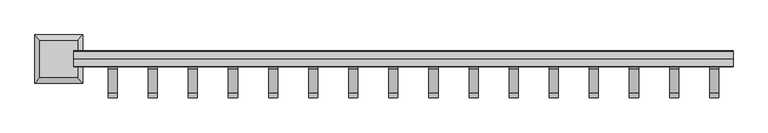
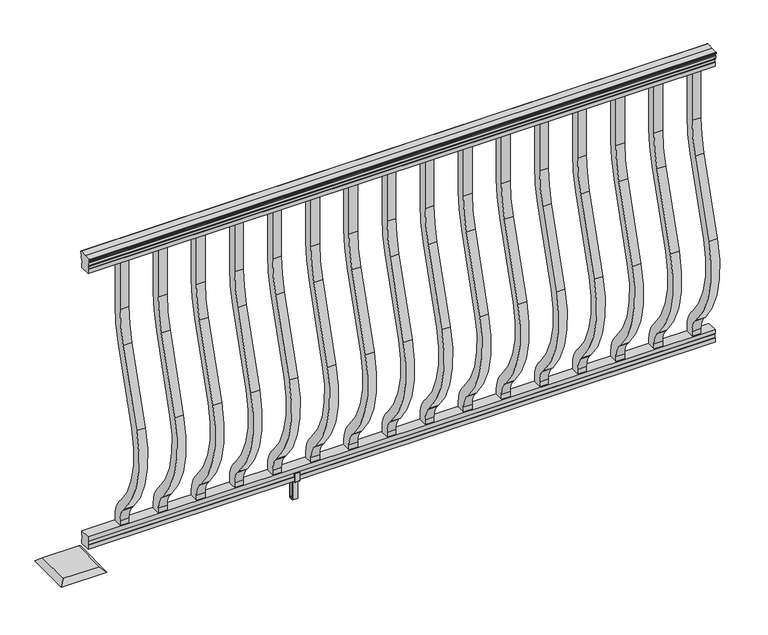
"""IFC4 building model written with IfcOpenShell, lengths in millimetres: railing geometry."""

from ifc_helpers import new_model, si_unit, point, frame, frame_2d, origin, place, context, project, spatial, polyline, circle_curve, trimmed, segment, composite_curve, outline, extrude, faceted_brep, source, transform, mapped, element, save
from ifc_brep_helpers import plane_surface, cylinder_surface, revolved_surface, advanced_brep


def railing_8e5f8d11(model_context):
    return source(origin(), model_context, "Body", "SolidModel", [
        advanced_brep(
        [(18822.3598713, -48070.5992427, 938.4043297), (18822.3598713, -48068.025414, 938.4043297), (18822.3598713, -48068.025414, 927.747013), (18822.3598713, -48069.041414, 926.731013), (18822.3598713, -48069.041414, 914.4), (18822.3598713, -48037.291414, 914.4), (18822.3598713, -48037.291414, 926.8888283), (18822.3598713, -48038.307414, 927.9048283), (18822.3598713, -48038.307414, 938.4043297), (18822.3598713, -48035.7335853, 938.4043297), (18822.3598713, -48035.7335853, 940.292412), (18822.3598713, -48034.603399, 941.8546695), (18822.3598713, -48034.603399, 949.0726458), (18822.3598713, -48035.2526554, 951.5060812), (18822.3598713, -48032.7526554, 955.8362083), (18822.3598713, -48031.3433129, 957.5157972), (18822.3598713, -48030.9414139, 958.6205318), (18822.3598713, -48030.941414, 959.9608158), (18822.3598713, -48032.4948612, 961.514263), (18822.3598713, -48053.166414, 961.514263), (18822.3598713, -48073.8379668, 961.514263), (18822.3598713, -48075.391414, 959.9608158), (18822.3598713, -48075.391414, 958.6205318), (18822.3598713, -48074.9895151, 957.5157972), (18822.3598713, -48073.5801726, 955.8362083), (18822.3598713, -48071.0801726, 951.5060812), (18822.3598713, -48071.729429, 949.0726458), (18822.3598713, -48071.729429, 941.8546695), (18822.3598713, -48070.5992427, 940.292412), (16993.5598713, -48070.5992427, 938.4043297), (16993.5598713, -48070.5992427, 940.292412), (16993.5598713, -48071.729429, 941.8546695), (16993.5598713, -48071.729429, 949.0726458), (16993.5598713, -48071.0801726, 951.5060812), (16993.5598713, -48073.5801726, 955.8362083), (16993.5598713, -48074.9895151, 957.5157972), (16993.5598713, -48075.3914141, 958.6205318), (16993.5598713, -48075.391414, 959.9608158), (16993.5598713, -48073.8379668, 961.514263), (16993.5598713, -48053.166414, 961.514263), (16993.5598713, -48032.4948612, 961.514263), (16993.5598713, -48030.941414, 959.9608158), (16993.5598713, -48030.941414, 958.6205318), (16993.5598713, -48031.3433129, 957.5157972), (16993.5598713, -48032.7526554, 955.8362083), (16993.5598713, -48035.2526554, 951.5060812), (16993.5598713, -48034.603399, 949.0726458), (16993.5598713, -48034.603399, 941.8546695), (16993.5598713, -48035.7335853, 940.292412), (16993.5598713, -48035.7335853, 938.4043297), (16993.5598713, -48038.307414, 938.4043297), (16993.5598713, -48038.307414, 927.9048283), (16993.5598713, -48037.291414, 926.8888283), (16993.5598713, -48037.291414, 914.4), (16993.5598713, -48069.041414, 914.4), (16993.5598713, -48069.041414, 926.731013), (16993.5598713, -48068.025414, 927.747013), (16993.5598713, -48068.025414, 938.4043297)],
        [
            (0, 1, circle_curve(frame((18822.3598713, -48069.3123284, 938.4043297), z_axis=(1.0, 0.0, 0.0), x_axis=(0.0, 1.0, 0.0)), 1.2869144)),
            (1, 2),
            (2, 3),
            (3, 4),
            (4, 5),
            (5, 6),
            (6, 7),
            (7, 8),
            (8, 9, circle_curve(frame((18822.3598713, -48037.0204996, 938.4043297), z_axis=(1.0, 0.0, 0.0), x_axis=(0.0, -1.0, 0.0)), 1.2869144)),
            (9, 10),
            (10, 11, circle_curve(frame((18822.3598713, -48042.0483386, 946.0506383), z_axis=(1.0, 0.0, 0.0), x_axis=(0.0, -1.0, 0.0)), 8.545951)),
            (11, 12, circle_curve(frame((18822.3598713, -48041.6112756, 945.4636577), z_axis=(1.0, 0.0, 0.0), x_axis=(0.0, -1.0, 0.0)), 7.882584)),
            (12, 13, circle_curve(frame((18822.3598713, -48031.0979515, 951.3112527), z_axis=(-1.0, 0.0, 0.0), x_axis=(0.0, -1.0, 0.0)), 4.1592695)),
            (13, 14, circle_curve(frame((18822.3598713, -48029.8106449, 951.2508864), z_axis=(-1.0, 0.0, 0.0), x_axis=(0.0, -1.0, 0.0)), 5.4479907)),
            (14, 15, circle_curve(frame((18822.3598713, -48031.0438033, 955.833395), z_axis=(-1.0, 0.0, 0.0), x_axis=(0.0, -1.0, 0.0)), 1.7088543)),
            (15, 16, circle_curve(frame((18822.3598713, -48032.6607034, 958.6205318), z_axis=(1.0, 0.0, 0.0), x_axis=(0.0, -1.0, 0.0)), 1.7192895)),
            (16, 17),
            (17, 18, circle_curve(frame((18822.3598713, -48032.4948612, 959.9608158), z_axis=(1.0, 0.0, 0.0), x_axis=(0.0, -1.0, 0.0)), 1.5534472)),
            (18, 19),
            (19, 20),
            (20, 21, circle_curve(frame((18822.3598713, -48073.8379668, 959.9608158), z_axis=(1.0, 0.0, 0.0), x_axis=(0.0, 1.0, 0.0)), 1.5534472)),
            (21, 22),
            (22, 23, circle_curve(frame((18822.3598713, -48073.6721246, 958.6205318), z_axis=(1.0, 0.0, 0.0), x_axis=(0.0, 1.0, 0.0)), 1.7192895)),
            (23, 24, circle_curve(frame((18822.3598713, -48075.2890247, 955.833395), z_axis=(-1.0, 0.0, 0.0), x_axis=(0.0, 1.0, 0.0)), 1.7088543)),
            (24, 25, circle_curve(frame((18822.3598713, -48076.5221831, 951.2508864), z_axis=(-1.0, 0.0, 0.0), x_axis=(0.0, 1.0, 0.0)), 5.4479907)),
            (25, 26, circle_curve(frame((18822.3598713, -48075.2348766, 951.3112527), z_axis=(-1.0, 0.0, 0.0), x_axis=(0.0, 1.0, 0.0)), 4.1592695)),
            (26, 27, circle_curve(frame((18822.3598713, -48064.7215524, 945.4636577), z_axis=(1.0, 0.0, 0.0), x_axis=(0.0, 1.0, 0.0)), 7.882584)),
            (27, 28, circle_curve(frame((18822.3598713, -48064.2844895, 946.0506383), z_axis=(1.0, 0.0, 0.0), x_axis=(0.0, 1.0, 0.0)), 8.545951)),
            (28, 0),
            (29, 30),
            (30, 31, circle_curve(frame((16993.5598713, -48064.2844895, 946.0506383), z_axis=(-1.0, 0.0, 0.0), x_axis=(0.0, 1.0, 0.0)), 8.545951)),
            (31, 32, circle_curve(frame((16993.5598713, -48064.7215524, 945.4636577), z_axis=(-1.0, 0.0, 0.0), x_axis=(0.0, 1.0, 0.0)), 7.882584)),
            (32, 33, circle_curve(frame((16993.5598713, -48075.2348766, 951.3112527), z_axis=(1.0, 0.0, 0.0), x_axis=(0.0, 1.0, 0.0)), 4.1592695)),
            (33, 34, circle_curve(frame((16993.5598713, -48076.5221831, 951.2508864), z_axis=(1.0, 0.0, 0.0), x_axis=(0.0, 1.0, 0.0)), 5.4479907)),
            (34, 35, circle_curve(frame((16993.5598713, -48075.2890247, 955.833395), z_axis=(1.0, 0.0, 0.0), x_axis=(0.0, 1.0, 0.0)), 1.7088543)),
            (35, 36, circle_curve(frame((16993.5598713, -48073.6721246, 958.6205318), z_axis=(-1.0, 0.0, 0.0), x_axis=(0.0, 1.0, 0.0)), 1.7192895)),
            (36, 37),
            (37, 38, circle_curve(frame((16993.5598713, -48073.8379668, 959.9608158), z_axis=(-1.0, 0.0, 0.0), x_axis=(0.0, 1.0, 0.0)), 1.5534472)),
            (38, 39),
            (39, 40),
            (40, 41, circle_curve(frame((16993.5598713, -48032.4948612, 959.9608158), z_axis=(-1.0, 0.0, 0.0), x_axis=(0.0, -1.0, 0.0)), 1.5534472)),
            (41, 42),
            (42, 43, circle_curve(frame((16993.5598713, -48032.6607034, 958.6205318), z_axis=(-1.0, 0.0, 0.0), x_axis=(0.0, -1.0, 0.0)), 1.7192895)),
            (43, 44, circle_curve(frame((16993.5598713, -48031.0438033, 955.833395), z_axis=(1.0, 0.0, 0.0), x_axis=(0.0, -1.0, 0.0)), 1.7088543)),
            (44, 45, circle_curve(frame((16993.5598713, -48029.8106449, 951.2508864), z_axis=(1.0, 0.0, 0.0), x_axis=(0.0, -1.0, 0.0)), 5.4479907)),
            (45, 46, circle_curve(frame((16993.5598713, -48031.0979515, 951.3112527), z_axis=(1.0, 0.0, 0.0), x_axis=(0.0, -1.0, 0.0)), 4.1592695)),
            (46, 47, circle_curve(frame((16993.5598713, -48041.6112756, 945.4636577), z_axis=(-1.0, 0.0, 0.0), x_axis=(0.0, -1.0, 0.0)), 7.882584)),
            (47, 48, circle_curve(frame((16993.5598713, -48042.0483386, 946.0506383), z_axis=(-1.0, 0.0, 0.0), x_axis=(0.0, -1.0, 0.0)), 8.545951)),
            (48, 49),
            (49, 50, circle_curve(frame((16993.5598713, -48037.0204996, 938.4043297), z_axis=(-1.0, 0.0, 0.0), x_axis=(0.0, -1.0, 0.0)), 1.2869144)),
            (50, 51),
            (51, 52),
            (52, 53),
            (53, 54),
            (54, 55),
            (55, 56),
            (56, 57),
            (57, 29, circle_curve(frame((16993.5598713, -48069.3123284, 938.4043297), z_axis=(-1.0, 0.0, 0.0), x_axis=(0.0, 1.0, 0.0)), 1.2869144)),
            (0, 29),
            (57, 1),
            (56, 2),
            (55, 3),
            (54, 4),
            (53, 5),
            (52, 6),
            (51, 7),
            (50, 8),
            (49, 9),
            (48, 10),
            (47, 11),
            (46, 12),
            (45, 13),
            (44, 14),
            (43, 15),
            (42, 16),
            (41, 17),
            (40, 18),
            (39, 19),
            (38, 20),
            (37, 21),
            (36, 22),
            (35, 23),
            (34, 24),
            (33, 25),
            (32, 26),
            (31, 27),
            (30, 28),
        ],
        [
            plane_surface(frame((18822.3598713, -48053.166414, 914.4), z_axis=(1.0, 0.0, 0.0), x_axis=(0.0, -1.0, 0.0))),
            plane_surface(frame((16993.5598713, -48053.166414, 914.4), z_axis=(-1.0, 0.0, 0.0), x_axis=(0.0, -1.0, 0.0))),
            cylinder_surface(frame((18822.3598713, -48069.3123284, 938.4043297), z_axis=(1.0, 0.0, 0.0), x_axis=(0.0, 1.0, 0.0)), 1.2869144),
            plane_surface(frame((18822.3598713, -48068.025414, 938.4043297), z_axis=(0.0, -1.0, 0.0), x_axis=(-1.0, 0.0, 0.0))),
            plane_surface(frame((18822.3598713, -48068.025414, 927.747013), z_axis=(0.0, -0.7071067811865395, 0.7071067811865556), x_axis=(-1.0, 0.0, 0.0))),
            plane_surface(frame((18822.3598713, -48069.041414, 926.731013), z_axis=(0.0, -1.0, 0.0), x_axis=(-1.0, 0.0, 0.0))),
            plane_surface(frame((18822.3598713, -48069.041414, 914.4), z_axis=(0.0, 0.0, -1.0), x_axis=(-1.0, 0.0, 0.0))),
            plane_surface(frame((18822.3598713, -48037.291414, 914.4), z_axis=(0.0, 1.0, 0.0), x_axis=(-1.0, 0.0, 0.0))),
            plane_surface(frame((18822.3598713, -48037.291414, 926.8888283), z_axis=(0.0, 0.7071067811865432, 0.707106781186552), x_axis=(-1.0, 0.0, 0.0))),
            plane_surface(frame((18822.3598713, -48038.307414, 927.9048283), z_axis=(0.0, 1.0, 0.0), x_axis=(-1.0, 0.0, 0.0))),
            cylinder_surface(frame((18822.3598713, -48037.0204996, 938.4043297), z_axis=(1.0, 0.0, 0.0), x_axis=(0.0, -1.0, 0.0)), 1.2869144),
            plane_surface(frame((18822.3598713, -48035.7335853, 938.4043297), z_axis=(0.0, 1.0, 0.0), x_axis=(-1.0, 0.0, 0.0))),
            cylinder_surface(frame((18822.3598713, -48042.0483386, 946.0506383), z_axis=(1.0, 0.0, 0.0), x_axis=(0.0, -1.0, 0.0)), 8.545951),
            cylinder_surface(frame((18822.3598713, -48041.6112756, 945.4636577), z_axis=(1.0, 0.0, 0.0), x_axis=(0.0, -1.0, 0.0)), 7.882584),
            revolved_surface(polyline([(16993.5598713, -48035.257221, 951.3112527), (18822.3598713, -48035.257221, 951.3112527)]), (18822.3598713, -48031.0979515, 951.3112527), (-1.0, 0.0, 0.0)),
            revolved_surface(polyline([(16993.5598713, -48035.258635599996, 951.2508864), (18822.3598713, -48035.258635599996, 951.2508864)]), (18822.3598713, -48029.8106449, 951.2508864), (-1.0, 0.0, 0.0)),
            revolved_surface(polyline([(16993.5598713, -48032.7526576, 955.833395), (18822.3598713, -48032.7526576, 955.833395)]), (18822.3598713, -48031.0438033, 955.833395), (-1.0, 0.0, 0.0)),
            cylinder_surface(frame((18822.3598713, -48032.6607034, 958.6205318), z_axis=(1.0, 0.0, 0.0), x_axis=(0.0, -1.0, 0.0)), 1.7192895),
            plane_surface(frame((18822.3598713, -48030.941414, 958.6205318), z_axis=(0.0, 1.0, 0.0), x_axis=(-1.0, 0.0, 0.0))),
            cylinder_surface(frame((18822.3598713, -48032.4948612, 959.9608158), z_axis=(1.0, 0.0, 0.0), x_axis=(0.0, -1.0, 0.0)), 1.5534472),
            plane_surface(frame((18822.3598713, -48032.4948612, 961.514263), z_axis=(0.0, 0.0, 1.0), x_axis=(-1.0, 0.0, 0.0))),
            plane_surface(frame((18822.3598713, -48053.166414, 961.514263), z_axis=(0.0, 0.0, 1.0), x_axis=(-1.0, 0.0, 0.0))),
            cylinder_surface(frame((18822.3598713, -48073.8379668, 959.9608158), z_axis=(1.0, 0.0, 0.0), x_axis=(0.0, 1.0, 0.0)), 1.5534472),
            plane_surface(frame((18822.3598713, -48075.391414, 959.9608158), z_axis=(0.0, -1.0, 0.0), x_axis=(-1.0, 0.0, 0.0))),
            cylinder_surface(frame((18822.3598713, -48073.6721246, 958.6205318), z_axis=(1.0, 0.0, 0.0), x_axis=(0.0, 1.0, 0.0)), 1.7192895),
            revolved_surface(polyline([(16993.5598713, -48073.580170400004, 955.833395), (18822.3598713, -48073.580170400004, 955.833395)]), (18822.3598713, -48075.2890247, 955.833395), (-1.0, 0.0, 0.0)),
            revolved_surface(polyline([(16993.5598713, -48071.0741924, 951.2508864), (18822.3598713, -48071.0741924, 951.2508864)]), (18822.3598713, -48076.5221831, 951.2508864), (-1.0, 0.0, 0.0)),
            revolved_surface(polyline([(16993.5598713, -48071.0756071, 951.3112527), (18822.3598713, -48071.0756071, 951.3112527)]), (18822.3598713, -48075.2348766, 951.3112527), (-1.0, 0.0, 0.0)),
            cylinder_surface(frame((18822.3598713, -48064.7215524, 945.4636577), z_axis=(1.0, 0.0, 0.0), x_axis=(0.0, 1.0, 0.0)), 7.882584),
            cylinder_surface(frame((18822.3598713, -48064.2844895, 946.0506383), z_axis=(1.0, 0.0, 0.0), x_axis=(0.0, 1.0, 0.0)), 8.545951),
            plane_surface(frame((18822.3598713, -48070.5992427, 940.292412), z_axis=(0.0, -1.0, 0.0), x_axis=(-1.0, 0.0, 0.0))),
        ],
        [
            (0, [[1, 2, 3, 4, 5, 6, 7, 8, 9, 10, 11, 12, 13, 14, 15, 16, 17, 18, 19, 20, 21, 22, 23, 24, 25, 26, 27, 28, 29]]),
            (1, [[30, 31, 32, 33, 34, 35, 36, 37, 38, 39, 40, 41, 42, 43, 44, 45, 46, 47, 48, 49, 50, 51, 52, 53, 54, 55, 56, 57, 58]]),
            (2, [[-1, 59, -58, 60]]),
            (3, [[-2, -60, -57, 61]]),
            (4, [[-3, -61, -56, 62]]),
            (5, [[-4, -62, -55, 63]]),
            (6, [[-5, -63, -54, 64]]),
            (7, [[-6, -64, -53, 65]]),
            (8, [[-7, -65, -52, 66]]),
            (9, [[-8, -66, -51, 67]]),
            (10, [[-9, -67, -50, 68]]),
            (11, [[-10, -68, -49, 69]]),
            (12, [[-11, -69, -48, 70]]),
            (13, [[-12, -70, -47, 71]]),
            (14, [[-13, -71, -46, 72]]),
            (15, [[-14, -72, -45, 73]]),
            (16, [[-15, -73, -44, 74]]),
            (17, [[-16, -74, -43, 75]]),
            (18, [[-17, -75, -42, 76]]),
            (19, [[-18, -76, -41, 77]]),
            (20, [[-19, -77, -40, 78]]),
            (21, [[-20, -78, -39, 79]]),
            (22, [[-21, -79, -38, 80]]),
            (23, [[-22, -80, -37, 81]]),
            (24, [[-23, -81, -36, 82]]),
            (25, [[-24, -82, -35, 83]]),
            (26, [[-25, -83, -34, 84]]),
            (27, [[-26, -84, -33, 85]]),
            (28, [[-27, -85, -32, 86]]),
            (29, [[-28, -86, -31, 87]]),
            (30, [[-29, -87, -30, -59]]),
        ],
    ),
        faceted_brep([(18822.3598713, -48069.0789009, 76.0541976), (18822.3598713, -48069.0789009, 63.5), (18822.3598713, -48037.3289009, 63.5), (18822.3598713, -48037.3289009, 76.0375508), (18822.3598713, -48038.3449009, 77.3858283), (18822.3598713, -48038.3449009, 87.6975248), (18822.3598713, -48037.3289009, 89.0458024), (18822.3598713, -48037.3289009, 101.5958781), (18822.3598713, -48069.0789009, 101.5958781), (18822.3598713, -48069.0789009, 89.0624492), (18822.3598713, -48068.0629009, 87.7141717), (18822.3598713, -48068.0629009, 77.3546183), (16993.5598713, -48069.0789009, 76.0541976), (16993.5598713, -48068.0629009, 77.3546183), (16993.5598713, -48068.0629009, 87.7141717), (16993.5598713, -48069.0789009, 89.0624492), (16993.5598713, -48069.0789009, 101.5958781), (16993.5598713, -48037.3289009, 101.5958781), (16993.5598713, -48037.3289009, 89.0458024), (16993.5598713, -48038.3449009, 87.6975248), (16993.5598713, -48038.3449009, 77.3858283), (16993.5598713, -48037.3289009, 76.0375508), (16993.5598713, -48037.3289009, 63.5), (16993.5598713, -48069.0789009, 63.5)], [[[0, 1, 2, 3, 4, 5, 6, 7, 8, 9, 10, 11]], [[12, 13, 14, 15, 16, 17, 18, 19, 20, 21, 22, 23]], [[1, 0, 12, 23]], [[2, 1, 23, 22]], [[3, 2, 22, 21]], [[4, 3, 21, 20]], [[5, 4, 20, 19]], [[6, 5, 19, 18]], [[7, 6, 18, 17]], [[8, 7, 17, 16]], [[9, 8, 16, 15]], [[10, 9, 15, 14]], [[11, 10, 14, 13]], [[0, 11, 13, 12]]]),
        extrude(outline(composite_curve([segment(trimmed(circle_curve(frame_2d((-48413.166414, 768.63216)), 372.7), [point((-48040.466414, 768.63216))], [point((-48056.7516315, 659.6652257))], False, "CARTESIAN"), True, "CONTINUOUS"), segment(polyline([(-48056.7516315, 659.6652257), (-48124.5789093, 437.8121964)]), True, "CONTINUOUS"), segment(trimmed(circle_curve(frame_2d((-47868.958648, 359.6612397)), 267.3), [point((-48124.5789093, 437.8121964))], [point((-48068.2736709, 181.5522516))], True, "CARTESIAN"), True, "CONTINUOUS"), segment(polyline([(-48068.2736709, 181.5522516), (-48062.7719976, 175.3955374)]), True, "CONTINUOUS"), segment(trimmed(circle_curve(frame_2d((-48128.166414, 116.9587313)), 87.7), [point((-48062.7719976, 175.3955374))], [point((-48040.466414, 116.9587313))], False, "CARTESIAN"), True, "CONTINUOUS"), segment(polyline([(-48040.466414, 116.9587313), (-48040.466414, 101.5958781), (-48065.866414, 101.5958781), (-48065.866414, 116.9587313)]), True, "CONTINUOUS"), segment(trimmed(circle_curve(frame_2d((-48128.166414, 116.9587313)), 62.3), [point((-48065.866414, 116.9587313))], [point((-48081.7117716, 158.4708524))], True, "CARTESIAN"), True, "CONTINUOUS"), segment(polyline([(-48081.7117716, 158.4708524), (-48087.2134448, 164.6275666)]), True, "CONTINUOUS"), segment(trimmed(circle_curve(frame_2d((-47868.958648, 359.6612397)), 292.7), [point((-48087.2134448, 164.6275666))], [point((-48148.8690501, 445.2384377))], False, "CARTESIAN"), True, "CONTINUOUS"), segment(polyline([(-48148.8690501, 445.2384377), (-48081.0417723, 667.091467)]), True, "CONTINUOUS"), segment(trimmed(circle_curve(frame_2d((-48413.166414, 768.63216)), 347.3), [point((-48081.0417723, 667.091467))], [point((-48065.866414, 768.63216))], True, "CARTESIAN"), True, "CONTINUOUS"), segment(polyline([(-48065.866414, 768.63216), (-48065.866414, 914.4), (-48040.466414, 914.4), (-48040.466414, 768.63216)]), True, "CONTINUOUS")], self_intersect=False)), frame((17088.5558713, 0.0, 0.0), z_axis=(1.0, 0.0, 0.0), x_axis=(0.0, 1.0, 0.0)), (0.0, 0.0, 1.0), 25.4),
        extrude(outline(composite_curve([segment(trimmed(circle_curve(frame_2d((-48413.166414, 768.63216)), 372.7), [point((-48040.466414, 768.63216))], [point((-48056.7516315, 659.6652257))], False, "CARTESIAN"), True, "CONTINUOUS"), segment(polyline([(-48056.7516315, 659.6652257), (-48124.5789093, 437.8121964)]), True, "CONTINUOUS"), segment(trimmed(circle_curve(frame_2d((-47868.958648, 359.6612397)), 267.3), [point((-48124.5789093, 437.8121964))], [point((-48068.2736709, 181.5522516))], True, "CARTESIAN"), True, "CONTINUOUS"), segment(polyline([(-48068.2736709, 181.5522516), (-48062.7719976, 175.3955374)]), True, "CONTINUOUS"), segment(trimmed(circle_curve(frame_2d((-48128.166414, 116.9587313)), 87.7), [point((-48062.7719976, 175.3955374))], [point((-48040.466414, 116.9587313))], False, "CARTESIAN"), True, "CONTINUOUS"), segment(polyline([(-48040.466414, 116.9587313), (-48040.466414, 101.5958781), (-48065.866414, 101.5958781), (-48065.866414, 116.9587313)]), True, "CONTINUOUS"), segment(trimmed(circle_curve(frame_2d((-48128.166414, 116.9587313)), 62.3), [point((-48065.866414, 116.9587313))], [point((-48081.7117716, 158.4708524))], True, "CARTESIAN"), True, "CONTINUOUS"), segment(polyline([(-48081.7117716, 158.4708524), (-48087.2134448, 164.6275666)]), True, "CONTINUOUS"), segment(trimmed(circle_curve(frame_2d((-47868.958648, 359.6612397)), 292.7), [point((-48087.2134448, 164.6275666))], [point((-48148.8690501, 445.2384377))], False, "CARTESIAN"), True, "CONTINUOUS"), segment(polyline([(-48148.8690501, 445.2384377), (-48081.0417723, 667.091467)]), True, "CONTINUOUS"), segment(trimmed(circle_curve(frame_2d((-48413.166414, 768.63216)), 347.3), [point((-48081.0417723, 667.091467))], [point((-48065.866414, 768.63216))], True, "CARTESIAN"), True, "CONTINUOUS"), segment(polyline([(-48065.866414, 768.63216), (-48065.866414, 914.4), (-48040.466414, 914.4), (-48040.466414, 768.63216)]), True, "CONTINUOUS")], self_intersect=False)), frame((17199.8078713, 0.0, 0.0), z_axis=(1.0, 0.0, 0.0), x_axis=(0.0, 1.0, 0.0)), (0.0, 0.0, 1.0), 25.4),
        extrude(outline(composite_curve([segment(trimmed(circle_curve(frame_2d((-48413.166414, 768.63216)), 372.7), [point((-48040.466414, 768.63216))], [point((-48056.7516315, 659.6652257))], False, "CARTESIAN"), True, "CONTINUOUS"), segment(polyline([(-48056.7516315, 659.6652257), (-48124.5789093, 437.8121964)]), True, "CONTINUOUS"), segment(trimmed(circle_curve(frame_2d((-47868.958648, 359.6612397)), 267.3), [point((-48124.5789093, 437.8121964))], [point((-48068.2736709, 181.5522516))], True, "CARTESIAN"), True, "CONTINUOUS"), segment(polyline([(-48068.2736709, 181.5522516), (-48062.7719976, 175.3955374)]), True, "CONTINUOUS"), segment(trimmed(circle_curve(frame_2d((-48128.166414, 116.9587313)), 87.7), [point((-48062.7719976, 175.3955374))], [point((-48040.466414, 116.9587313))], False, "CARTESIAN"), True, "CONTINUOUS"), segment(polyline([(-48040.466414, 116.9587313), (-48040.466414, 101.5958781), (-48065.866414, 101.5958781), (-48065.866414, 116.9587313)]), True, "CONTINUOUS"), segment(trimmed(circle_curve(frame_2d((-48128.166414, 116.9587313)), 62.3), [point((-48065.866414, 116.9587313))], [point((-48081.7117716, 158.4708524))], True, "CARTESIAN"), True, "CONTINUOUS"), segment(polyline([(-48081.7117716, 158.4708524), (-48087.2134448, 164.6275666)]), True, "CONTINUOUS"), segment(trimmed(circle_curve(frame_2d((-47868.958648, 359.6612397)), 292.7), [point((-48087.2134448, 164.6275666))], [point((-48148.8690501, 445.2384377))], False, "CARTESIAN"), True, "CONTINUOUS"), segment(polyline([(-48148.8690501, 445.2384377), (-48081.0417723, 667.091467)]), True, "CONTINUOUS"), segment(trimmed(circle_curve(frame_2d((-48413.166414, 768.63216)), 347.3), [point((-48081.0417723, 667.091467))], [point((-48065.866414, 768.63216))], True, "CARTESIAN"), True, "CONTINUOUS"), segment(polyline([(-48065.866414, 768.63216), (-48065.866414, 914.4), (-48040.466414, 914.4), (-48040.466414, 768.63216)]), True, "CONTINUOUS")], self_intersect=False)), frame((17311.0598713, 0.0, 0.0), z_axis=(1.0, 0.0, 0.0), x_axis=(0.0, 1.0, 0.0)), (0.0, 0.0, 1.0), 25.4),
        extrude(outline(composite_curve([segment(trimmed(circle_curve(frame_2d((-48413.166414, 768.63216)), 372.7), [point((-48040.466414, 768.63216))], [point((-48056.7516315, 659.6652257))], False, "CARTESIAN"), True, "CONTINUOUS"), segment(polyline([(-48056.7516315, 659.6652257), (-48124.5789093, 437.8121964)]), True, "CONTINUOUS"), segment(trimmed(circle_curve(frame_2d((-47868.958648, 359.6612397)), 267.3), [point((-48124.5789093, 437.8121964))], [point((-48068.2736709, 181.5522516))], True, "CARTESIAN"), True, "CONTINUOUS"), segment(polyline([(-48068.2736709, 181.5522516), (-48062.7719976, 175.3955374)]), True, "CONTINUOUS"), segment(trimmed(circle_curve(frame_2d((-48128.166414, 116.9587313)), 87.7), [point((-48062.7719976, 175.3955374))], [point((-48040.466414, 116.9587313))], False, "CARTESIAN"), True, "CONTINUOUS"), segment(polyline([(-48040.466414, 116.9587313), (-48040.466414, 101.5958781), (-48065.866414, 101.5958781), (-48065.866414, 116.9587313)]), True, "CONTINUOUS"), segment(trimmed(circle_curve(frame_2d((-48128.166414, 116.9587313)), 62.3), [point((-48065.866414, 116.9587313))], [point((-48081.7117716, 158.4708524))], True, "CARTESIAN"), True, "CONTINUOUS"), segment(polyline([(-48081.7117716, 158.4708524), (-48087.2134448, 164.6275666)]), True, "CONTINUOUS"), segment(trimmed(circle_curve(frame_2d((-47868.958648, 359.6612397)), 292.7), [point((-48087.2134448, 164.6275666))], [point((-48148.8690501, 445.2384377))], False, "CARTESIAN"), True, "CONTINUOUS"), segment(polyline([(-48148.8690501, 445.2384377), (-48081.0417723, 667.091467)]), True, "CONTINUOUS"), segment(trimmed(circle_curve(frame_2d((-48413.166414, 768.63216)), 347.3), [point((-48081.0417723, 667.091467))], [point((-48065.866414, 768.63216))], True, "CARTESIAN"), True, "CONTINUOUS"), segment(polyline([(-48065.866414, 768.63216), (-48065.866414, 914.4), (-48040.466414, 914.4), (-48040.466414, 768.63216)]), True, "CONTINUOUS")], self_intersect=False)), frame((17422.3118713, 0.0, 0.0), z_axis=(1.0, 0.0, 0.0), x_axis=(0.0, 1.0, 0.0)), (0.0, 0.0, 1.0), 25.4),
        extrude(outline(composite_curve([segment(trimmed(circle_curve(frame_2d((-48413.166414, 768.63216)), 372.7), [point((-48040.466414, 768.63216))], [point((-48056.7516315, 659.6652257))], False, "CARTESIAN"), True, "CONTINUOUS"), segment(polyline([(-48056.7516315, 659.6652257), (-48124.5789093, 437.8121964)]), True, "CONTINUOUS"), segment(trimmed(circle_curve(frame_2d((-47868.958648, 359.6612397)), 267.3), [point((-48124.5789093, 437.8121964))], [point((-48068.2736709, 181.5522516))], True, "CARTESIAN"), True, "CONTINUOUS"), segment(polyline([(-48068.2736709, 181.5522516), (-48062.7719976, 175.3955374)]), True, "CONTINUOUS"), segment(trimmed(circle_curve(frame_2d((-48128.166414, 116.9587313)), 87.7), [point((-48062.7719976, 175.3955374))], [point((-48040.466414, 116.9587313))], False, "CARTESIAN"), True, "CONTINUOUS"), segment(polyline([(-48040.466414, 116.9587313), (-48040.466414, 101.5958781), (-48065.866414, 101.5958781), (-48065.866414, 116.9587313)]), True, "CONTINUOUS"), segment(trimmed(circle_curve(frame_2d((-48128.166414, 116.9587313)), 62.3), [point((-48065.866414, 116.9587313))], [point((-48081.7117716, 158.4708524))], True, "CARTESIAN"), True, "CONTINUOUS"), segment(polyline([(-48081.7117716, 158.4708524), (-48087.2134448, 164.6275666)]), True, "CONTINUOUS"), segment(trimmed(circle_curve(frame_2d((-47868.958648, 359.6612397)), 292.7), [point((-48087.2134448, 164.6275666))], [point((-48148.8690501, 445.2384377))], False, "CARTESIAN"), True, "CONTINUOUS"), segment(polyline([(-48148.8690501, 445.2384377), (-48081.0417723, 667.091467)]), True, "CONTINUOUS"), segment(trimmed(circle_curve(frame_2d((-48413.166414, 768.63216)), 347.3), [point((-48081.0417723, 667.091467))], [point((-48065.866414, 768.63216))], True, "CARTESIAN"), True, "CONTINUOUS"), segment(polyline([(-48065.866414, 768.63216), (-48065.866414, 914.4), (-48040.466414, 914.4), (-48040.466414, 768.63216)]), True, "CONTINUOUS")], self_intersect=False)), frame((17533.5638713, 0.0, 0.0), z_axis=(1.0, 0.0, 0.0), x_axis=(0.0, 1.0, 0.0)), (0.0, 0.0, 1.0), 25.4),
        extrude(outline(polyline([(-48035.0054152, 88.7203979), (-48034.2434141, 87.9583969), (-48034.2434141, 61.4680023), (-48035.0054152, 60.7060013), (-48045.0384142, 60.7060013), (-48045.8004143, 59.9440012), (-48045.8004143, 0.7620001), (-48046.5624144, 0.0), (-48059.7704136, 0.0), (-48060.5324147, 0.762001), (-48060.5324147, 59.9440012), (-48061.2944147, 60.7060013), (-48071.3274138, 60.7060013), (-48072.0894148, 61.4680023), (-48072.0894148, 87.9583969), (-48071.3274138, 88.7203979), (-48069.2954142, 88.7203979), (-48068.2794144, 87.7043953), (-48068.2794144, 77.2686081), (-48069.2954142, 76.2526073), (-48069.2954142, 64.262001), (-48068.5334151, 63.5000019), (-48037.7994139, 63.5000019), (-48037.0374148, 64.262001), (-48037.0374148, 76.2526073), (-48038.0534146, 77.2686081), (-48038.0534146, 87.7043953), (-48037.0374148, 88.7203979), (-48035.0054152, 88.7203979)]), holes=[polyline([(-48056.5954144, 60.7060013), (-48057.3574145, 59.9440012), (-48057.3574145, 3.9370031), (-48056.5954144, 3.1750031), (-48049.7374117, 3.1750031), (-48048.9754145, 3.9370003), (-48048.9754145, 59.9440012), (-48049.7374146, 60.7060013), (-48056.5954144, 60.7060013)])]), frame((17594.5238713, 0.0, 0.0), z_axis=(1.0, 0.0, 0.0), x_axis=(0.0, 1.0, 0.0)), (0.0, 0.0, 1.0), 14.732),
        extrude(outline(composite_curve([segment(trimmed(circle_curve(frame_2d((-48413.166414, 768.63216)), 372.7), [point((-48040.466414, 768.63216))], [point((-48056.7516315, 659.6652257))], False, "CARTESIAN"), True, "CONTINUOUS"), segment(polyline([(-48056.7516315, 659.6652257), (-48124.5789093, 437.8121964)]), True, "CONTINUOUS"), segment(trimmed(circle_curve(frame_2d((-47868.958648, 359.6612397)), 267.3), [point((-48124.5789093, 437.8121964))], [point((-48068.2736709, 181.5522516))], True, "CARTESIAN"), True, "CONTINUOUS"), segment(polyline([(-48068.2736709, 181.5522516), (-48062.7719976, 175.3955374)]), True, "CONTINUOUS"), segment(trimmed(circle_curve(frame_2d((-48128.166414, 116.9587313)), 87.7), [point((-48062.7719976, 175.3955374))], [point((-48040.466414, 116.9587313))], False, "CARTESIAN"), True, "CONTINUOUS"), segment(polyline([(-48040.466414, 116.9587313), (-48040.466414, 101.5958781), (-48065.866414, 101.5958781), (-48065.866414, 116.9587313)]), True, "CONTINUOUS"), segment(trimmed(circle_curve(frame_2d((-48128.166414, 116.9587313)), 62.3), [point((-48065.866414, 116.9587313))], [point((-48081.7117716, 158.4708524))], True, "CARTESIAN"), True, "CONTINUOUS"), segment(polyline([(-48081.7117716, 158.4708524), (-48087.2134448, 164.6275666)]), True, "CONTINUOUS"), segment(trimmed(circle_curve(frame_2d((-47868.958648, 359.6612397)), 292.7), [point((-48087.2134448, 164.6275666))], [point((-48148.8690501, 445.2384377))], False, "CARTESIAN"), True, "CONTINUOUS"), segment(polyline([(-48148.8690501, 445.2384377), (-48081.0417723, 667.091467)]), True, "CONTINUOUS"), segment(trimmed(circle_curve(frame_2d((-48413.166414, 768.63216)), 347.3), [point((-48081.0417723, 667.091467))], [point((-48065.866414, 768.63216))], True, "CARTESIAN"), True, "CONTINUOUS"), segment(polyline([(-48065.866414, 768.63216), (-48065.866414, 914.4), (-48040.466414, 914.4), (-48040.466414, 768.63216)]), True, "CONTINUOUS")], self_intersect=False)), frame((17644.8158713, 0.0, 0.0), z_axis=(1.0, 0.0, 0.0), x_axis=(0.0, 1.0, 0.0)), (0.0, 0.0, 1.0), 25.4),
        extrude(outline(composite_curve([segment(trimmed(circle_curve(frame_2d((-48413.166414, 768.63216)), 372.7), [point((-48040.466414, 768.63216))], [point((-48056.7516315, 659.6652257))], False, "CARTESIAN"), True, "CONTINUOUS"), segment(polyline([(-48056.7516315, 659.6652257), (-48124.5789093, 437.8121964)]), True, "CONTINUOUS"), segment(trimmed(circle_curve(frame_2d((-47868.958648, 359.6612397)), 267.3), [point((-48124.5789093, 437.8121964))], [point((-48068.2736709, 181.5522516))], True, "CARTESIAN"), True, "CONTINUOUS"), segment(polyline([(-48068.2736709, 181.5522516), (-48062.7719976, 175.3955374)]), True, "CONTINUOUS"), segment(trimmed(circle_curve(frame_2d((-48128.166414, 116.9587313)), 87.7), [point((-48062.7719976, 175.3955374))], [point((-48040.466414, 116.9587313))], False, "CARTESIAN"), True, "CONTINUOUS"), segment(polyline([(-48040.466414, 116.9587313), (-48040.466414, 101.5958781), (-48065.866414, 101.5958781), (-48065.866414, 116.9587313)]), True, "CONTINUOUS"), segment(trimmed(circle_curve(frame_2d((-48128.166414, 116.9587313)), 62.3), [point((-48065.866414, 116.9587313))], [point((-48081.7117716, 158.4708524))], True, "CARTESIAN"), True, "CONTINUOUS"), segment(polyline([(-48081.7117716, 158.4708524), (-48087.2134448, 164.6275666)]), True, "CONTINUOUS"), segment(trimmed(circle_curve(frame_2d((-47868.958648, 359.6612397)), 292.7), [point((-48087.2134448, 164.6275666))], [point((-48148.8690501, 445.2384377))], False, "CARTESIAN"), True, "CONTINUOUS"), segment(polyline([(-48148.8690501, 445.2384377), (-48081.0417723, 667.091467)]), True, "CONTINUOUS"), segment(trimmed(circle_curve(frame_2d((-48413.166414, 768.63216)), 347.3), [point((-48081.0417723, 667.091467))], [point((-48065.866414, 768.63216))], True, "CARTESIAN"), True, "CONTINUOUS"), segment(polyline([(-48065.866414, 768.63216), (-48065.866414, 914.4), (-48040.466414, 914.4), (-48040.466414, 768.63216)]), True, "CONTINUOUS")], self_intersect=False)), frame((17756.0678713, 0.0, 0.0), z_axis=(1.0, 0.0, 0.0), x_axis=(0.0, 1.0, 0.0)), (0.0, 0.0, 1.0), 25.4),
        extrude(outline(composite_curve([segment(trimmed(circle_curve(frame_2d((-48413.166414, 768.63216)), 372.7), [point((-48040.466414, 768.63216))], [point((-48056.7516315, 659.6652257))], False, "CARTESIAN"), True, "CONTINUOUS"), segment(polyline([(-48056.7516315, 659.6652257), (-48124.5789093, 437.8121964)]), True, "CONTINUOUS"), segment(trimmed(circle_curve(frame_2d((-47868.958648, 359.6612397)), 267.3), [point((-48124.5789093, 437.8121964))], [point((-48068.2736709, 181.5522516))], True, "CARTESIAN"), True, "CONTINUOUS"), segment(polyline([(-48068.2736709, 181.5522516), (-48062.7719976, 175.3955374)]), True, "CONTINUOUS"), segment(trimmed(circle_curve(frame_2d((-48128.166414, 116.9587313)), 87.7), [point((-48062.7719976, 175.3955374))], [point((-48040.466414, 116.9587313))], False, "CARTESIAN"), True, "CONTINUOUS"), segment(polyline([(-48040.466414, 116.9587313), (-48040.466414, 101.5958781), (-48065.866414, 101.5958781), (-48065.866414, 116.9587313)]), True, "CONTINUOUS"), segment(trimmed(circle_curve(frame_2d((-48128.166414, 116.9587313)), 62.3), [point((-48065.866414, 116.9587313))], [point((-48081.7117716, 158.4708524))], True, "CARTESIAN"), True, "CONTINUOUS"), segment(polyline([(-48081.7117716, 158.4708524), (-48087.2134448, 164.6275666)]), True, "CONTINUOUS"), segment(trimmed(circle_curve(frame_2d((-47868.958648, 359.6612397)), 292.7), [point((-48087.2134448, 164.6275666))], [point((-48148.8690501, 445.2384377))], False, "CARTESIAN"), True, "CONTINUOUS"), segment(polyline([(-48148.8690501, 445.2384377), (-48081.0417723, 667.091467)]), True, "CONTINUOUS"), segment(trimmed(circle_curve(frame_2d((-48413.166414, 768.63216)), 347.3), [point((-48081.0417723, 667.091467))], [point((-48065.866414, 768.63216))], True, "CARTESIAN"), True, "CONTINUOUS"), segment(polyline([(-48065.866414, 768.63216), (-48065.866414, 914.4), (-48040.466414, 914.4), (-48040.466414, 768.63216)]), True, "CONTINUOUS")], self_intersect=False)), frame((17867.3198713, 0.0, 0.0), z_axis=(1.0, 0.0, 0.0), x_axis=(0.0, 1.0, 0.0)), (0.0, 0.0, 1.0), 25.4),
        extrude(outline(composite_curve([segment(trimmed(circle_curve(frame_2d((-48413.166414, 768.63216)), 372.7), [point((-48040.466414, 768.63216))], [point((-48056.7516315, 659.6652257))], False, "CARTESIAN"), True, "CONTINUOUS"), segment(polyline([(-48056.7516315, 659.6652257), (-48124.5789093, 437.8121964)]), True, "CONTINUOUS"), segment(trimmed(circle_curve(frame_2d((-47868.958648, 359.6612397)), 267.3), [point((-48124.5789093, 437.8121964))], [point((-48068.2736709, 181.5522516))], True, "CARTESIAN"), True, "CONTINUOUS"), segment(polyline([(-48068.2736709, 181.5522516), (-48062.7719976, 175.3955374)]), True, "CONTINUOUS"), segment(trimmed(circle_curve(frame_2d((-48128.166414, 116.9587313)), 87.7), [point((-48062.7719976, 175.3955374))], [point((-48040.466414, 116.9587313))], False, "CARTESIAN"), True, "CONTINUOUS"), segment(polyline([(-48040.466414, 116.9587313), (-48040.466414, 101.5958781), (-48065.866414, 101.5958781), (-48065.866414, 116.9587313)]), True, "CONTINUOUS"), segment(trimmed(circle_curve(frame_2d((-48128.166414, 116.9587313)), 62.3), [point((-48065.866414, 116.9587313))], [point((-48081.7117716, 158.4708524))], True, "CARTESIAN"), True, "CONTINUOUS"), segment(polyline([(-48081.7117716, 158.4708524), (-48087.2134448, 164.6275666)]), True, "CONTINUOUS"), segment(trimmed(circle_curve(frame_2d((-47868.958648, 359.6612397)), 292.7), [point((-48087.2134448, 164.6275666))], [point((-48148.8690501, 445.2384377))], False, "CARTESIAN"), True, "CONTINUOUS"), segment(polyline([(-48148.8690501, 445.2384377), (-48081.0417723, 667.091467)]), True, "CONTINUOUS"), segment(trimmed(circle_curve(frame_2d((-48413.166414, 768.63216)), 347.3), [point((-48081.0417723, 667.091467))], [point((-48065.866414, 768.63216))], True, "CARTESIAN"), True, "CONTINUOUS"), segment(polyline([(-48065.866414, 768.63216), (-48065.866414, 914.4), (-48040.466414, 914.4), (-48040.466414, 768.63216)]), True, "CONTINUOUS")], self_intersect=False)), frame((17978.5718713, 0.0, 0.0), z_axis=(1.0, 0.0, 0.0), x_axis=(0.0, 1.0, 0.0)), (0.0, 0.0, 1.0), 25.4),
        extrude(outline(composite_curve([segment(trimmed(circle_curve(frame_2d((-48413.166414, 768.63216)), 372.7), [point((-48040.466414, 768.63216))], [point((-48056.7516315, 659.6652257))], False, "CARTESIAN"), True, "CONTINUOUS"), segment(polyline([(-48056.7516315, 659.6652257), (-48124.5789093, 437.8121964)]), True, "CONTINUOUS"), segment(trimmed(circle_curve(frame_2d((-47868.958648, 359.6612397)), 267.3), [point((-48124.5789093, 437.8121964))], [point((-48068.2736709, 181.5522516))], True, "CARTESIAN"), True, "CONTINUOUS"), segment(polyline([(-48068.2736709, 181.5522516), (-48062.7719976, 175.3955374)]), True, "CONTINUOUS"), segment(trimmed(circle_curve(frame_2d((-48128.166414, 116.9587313)), 87.7), [point((-48062.7719976, 175.3955374))], [point((-48040.466414, 116.9587313))], False, "CARTESIAN"), True, "CONTINUOUS"), segment(polyline([(-48040.466414, 116.9587313), (-48040.466414, 101.5958781), (-48065.866414, 101.5958781), (-48065.866414, 116.9587313)]), True, "CONTINUOUS"), segment(trimmed(circle_curve(frame_2d((-48128.166414, 116.9587313)), 62.3), [point((-48065.866414, 116.9587313))], [point((-48081.7117716, 158.4708524))], True, "CARTESIAN"), True, "CONTINUOUS"), segment(polyline([(-48081.7117716, 158.4708524), (-48087.2134448, 164.6275666)]), True, "CONTINUOUS"), segment(trimmed(circle_curve(frame_2d((-47868.958648, 359.6612397)), 292.7), [point((-48087.2134448, 164.6275666))], [point((-48148.8690501, 445.2384377))], False, "CARTESIAN"), True, "CONTINUOUS"), segment(polyline([(-48148.8690501, 445.2384377), (-48081.0417723, 667.091467)]), True, "CONTINUOUS"), segment(trimmed(circle_curve(frame_2d((-48413.166414, 768.63216)), 347.3), [point((-48081.0417723, 667.091467))], [point((-48065.866414, 768.63216))], True, "CARTESIAN"), True, "CONTINUOUS"), segment(polyline([(-48065.866414, 768.63216), (-48065.866414, 914.4), (-48040.466414, 914.4), (-48040.466414, 768.63216)]), True, "CONTINUOUS")], self_intersect=False)), frame((18089.8238713, 0.0, 0.0), z_axis=(1.0, 0.0, 0.0), x_axis=(0.0, 1.0, 0.0)), (0.0, 0.0, 1.0), 25.4),
        extrude(outline(composite_curve([segment(trimmed(circle_curve(frame_2d((-48413.166414, 768.63216)), 372.7), [point((-48040.466414, 768.63216))], [point((-48056.7516315, 659.6652257))], False, "CARTESIAN"), True, "CONTINUOUS"), segment(polyline([(-48056.7516315, 659.6652257), (-48124.5789093, 437.8121964)]), True, "CONTINUOUS"), segment(trimmed(circle_curve(frame_2d((-47868.958648, 359.6612397)), 267.3), [point((-48124.5789093, 437.8121964))], [point((-48068.2736709, 181.5522516))], True, "CARTESIAN"), True, "CONTINUOUS"), segment(polyline([(-48068.2736709, 181.5522516), (-48062.7719976, 175.3955374)]), True, "CONTINUOUS"), segment(trimmed(circle_curve(frame_2d((-48128.166414, 116.9587313)), 87.7), [point((-48062.7719976, 175.3955374))], [point((-48040.466414, 116.9587313))], False, "CARTESIAN"), True, "CONTINUOUS"), segment(polyline([(-48040.466414, 116.9587313), (-48040.466414, 101.5958781), (-48065.866414, 101.5958781), (-48065.866414, 116.9587313)]), True, "CONTINUOUS"), segment(trimmed(circle_curve(frame_2d((-48128.166414, 116.9587313)), 62.3), [point((-48065.866414, 116.9587313))], [point((-48081.7117716, 158.4708524))], True, "CARTESIAN"), True, "CONTINUOUS"), segment(polyline([(-48081.7117716, 158.4708524), (-48087.2134448, 164.6275666)]), True, "CONTINUOUS"), segment(trimmed(circle_curve(frame_2d((-47868.958648, 359.6612397)), 292.7), [point((-48087.2134448, 164.6275666))], [point((-48148.8690501, 445.2384377))], False, "CARTESIAN"), True, "CONTINUOUS"), segment(polyline([(-48148.8690501, 445.2384377), (-48081.0417723, 667.091467)]), True, "CONTINUOUS"), segment(trimmed(circle_curve(frame_2d((-48413.166414, 768.63216)), 347.3), [point((-48081.0417723, 667.091467))], [point((-48065.866414, 768.63216))], True, "CARTESIAN"), True, "CONTINUOUS"), segment(polyline([(-48065.866414, 768.63216), (-48065.866414, 914.4), (-48040.466414, 914.4), (-48040.466414, 768.63216)]), True, "CONTINUOUS")], self_intersect=False)), frame((18201.0758713, 0.0, 0.0), z_axis=(1.0, 0.0, 0.0), x_axis=(0.0, 1.0, 0.0)), (0.0, 0.0, 1.0), 25.4),
        extrude(outline(composite_curve([segment(trimmed(circle_curve(frame_2d((-48413.166414, 768.63216)), 372.7), [point((-48040.466414, 768.63216))], [point((-48056.7516315, 659.6652257))], False, "CARTESIAN"), True, "CONTINUOUS"), segment(polyline([(-48056.7516315, 659.6652257), (-48124.5789093, 437.8121964)]), True, "CONTINUOUS"), segment(trimmed(circle_curve(frame_2d((-47868.958648, 359.6612397)), 267.3), [point((-48124.5789093, 437.8121964))], [point((-48068.2736709, 181.5522516))], True, "CARTESIAN"), True, "CONTINUOUS"), segment(polyline([(-48068.2736709, 181.5522516), (-48062.7719976, 175.3955374)]), True, "CONTINUOUS"), segment(trimmed(circle_curve(frame_2d((-48128.166414, 116.9587313)), 87.7), [point((-48062.7719976, 175.3955374))], [point((-48040.466414, 116.9587313))], False, "CARTESIAN"), True, "CONTINUOUS"), segment(polyline([(-48040.466414, 116.9587313), (-48040.466414, 101.5958781), (-48065.866414, 101.5958781), (-48065.866414, 116.9587313)]), True, "CONTINUOUS"), segment(trimmed(circle_curve(frame_2d((-48128.166414, 116.9587313)), 62.3), [point((-48065.866414, 116.9587313))], [point((-48081.7117716, 158.4708524))], True, "CARTESIAN"), True, "CONTINUOUS"), segment(polyline([(-48081.7117716, 158.4708524), (-48087.2134448, 164.6275666)]), True, "CONTINUOUS"), segment(trimmed(circle_curve(frame_2d((-47868.958648, 359.6612397)), 292.7), [point((-48087.2134448, 164.6275666))], [point((-48148.8690501, 445.2384377))], False, "CARTESIAN"), True, "CONTINUOUS"), segment(polyline([(-48148.8690501, 445.2384377), (-48081.0417723, 667.091467)]), True, "CONTINUOUS"), segment(trimmed(circle_curve(frame_2d((-48413.166414, 768.63216)), 347.3), [point((-48081.0417723, 667.091467))], [point((-48065.866414, 768.63216))], True, "CARTESIAN"), True, "CONTINUOUS"), segment(polyline([(-48065.866414, 768.63216), (-48065.866414, 914.4), (-48040.466414, 914.4), (-48040.466414, 768.63216)]), True, "CONTINUOUS")], self_intersect=False)), frame((18312.3278713, 0.0, 0.0), z_axis=(1.0, 0.0, 0.0), x_axis=(0.0, 1.0, 0.0)), (0.0, 0.0, 1.0), 25.4),
        extrude(outline(composite_curve([segment(trimmed(circle_curve(frame_2d((-48413.166414, 768.63216)), 372.7), [point((-48040.466414, 768.63216))], [point((-48056.7516315, 659.6652257))], False, "CARTESIAN"), True, "CONTINUOUS"), segment(polyline([(-48056.7516315, 659.6652257), (-48124.5789093, 437.8121964)]), True, "CONTINUOUS"), segment(trimmed(circle_curve(frame_2d((-47868.958648, 359.6612397)), 267.3), [point((-48124.5789093, 437.8121964))], [point((-48068.2736709, 181.5522516))], True, "CARTESIAN"), True, "CONTINUOUS"), segment(polyline([(-48068.2736709, 181.5522516), (-48062.7719976, 175.3955374)]), True, "CONTINUOUS"), segment(trimmed(circle_curve(frame_2d((-48128.166414, 116.9587313)), 87.7), [point((-48062.7719976, 175.3955374))], [point((-48040.466414, 116.9587313))], False, "CARTESIAN"), True, "CONTINUOUS"), segment(polyline([(-48040.466414, 116.9587313), (-48040.466414, 101.5958781), (-48065.866414, 101.5958781), (-48065.866414, 116.9587313)]), True, "CONTINUOUS"), segment(trimmed(circle_curve(frame_2d((-48128.166414, 116.9587313)), 62.3), [point((-48065.866414, 116.9587313))], [point((-48081.7117716, 158.4708524))], True, "CARTESIAN"), True, "CONTINUOUS"), segment(polyline([(-48081.7117716, 158.4708524), (-48087.2134448, 164.6275666)]), True, "CONTINUOUS"), segment(trimmed(circle_curve(frame_2d((-47868.958648, 359.6612397)), 292.7), [point((-48087.2134448, 164.6275666))], [point((-48148.8690501, 445.2384377))], False, "CARTESIAN"), True, "CONTINUOUS"), segment(polyline([(-48148.8690501, 445.2384377), (-48081.0417723, 667.091467)]), True, "CONTINUOUS"), segment(trimmed(circle_curve(frame_2d((-48413.166414, 768.63216)), 347.3), [point((-48081.0417723, 667.091467))], [point((-48065.866414, 768.63216))], True, "CARTESIAN"), True, "CONTINUOUS"), segment(polyline([(-48065.866414, 768.63216), (-48065.866414, 914.4), (-48040.466414, 914.4), (-48040.466414, 768.63216)]), True, "CONTINUOUS")], self_intersect=False)), frame((18423.5798713, 0.0, 0.0), z_axis=(1.0, 0.0, 0.0), x_axis=(0.0, 1.0, 0.0)), (0.0, 0.0, 1.0), 25.4),
        extrude(outline(composite_curve([segment(trimmed(circle_curve(frame_2d((-48413.166414, 768.63216)), 372.7), [point((-48040.466414, 768.63216))], [point((-48056.7516315, 659.6652257))], False, "CARTESIAN"), True, "CONTINUOUS"), segment(polyline([(-48056.7516315, 659.6652257), (-48124.5789093, 437.8121964)]), True, "CONTINUOUS"), segment(trimmed(circle_curve(frame_2d((-47868.958648, 359.6612397)), 267.3), [point((-48124.5789093, 437.8121964))], [point((-48068.2736709, 181.5522516))], True, "CARTESIAN"), True, "CONTINUOUS"), segment(polyline([(-48068.2736709, 181.5522516), (-48062.7719976, 175.3955374)]), True, "CONTINUOUS"), segment(trimmed(circle_curve(frame_2d((-48128.166414, 116.9587313)), 87.7), [point((-48062.7719976, 175.3955374))], [point((-48040.466414, 116.9587313))], False, "CARTESIAN"), True, "CONTINUOUS"), segment(polyline([(-48040.466414, 116.9587313), (-48040.466414, 101.5958781), (-48065.866414, 101.5958781), (-48065.866414, 116.9587313)]), True, "CONTINUOUS"), segment(trimmed(circle_curve(frame_2d((-48128.166414, 116.9587313)), 62.3), [point((-48065.866414, 116.9587313))], [point((-48081.7117716, 158.4708524))], True, "CARTESIAN"), True, "CONTINUOUS"), segment(polyline([(-48081.7117716, 158.4708524), (-48087.2134448, 164.6275666)]), True, "CONTINUOUS"), segment(trimmed(circle_curve(frame_2d((-47868.958648, 359.6612397)), 292.7), [point((-48087.2134448, 164.6275666))], [point((-48148.8690501, 445.2384377))], False, "CARTESIAN"), True, "CONTINUOUS"), segment(polyline([(-48148.8690501, 445.2384377), (-48081.0417723, 667.091467)]), True, "CONTINUOUS"), segment(trimmed(circle_curve(frame_2d((-48413.166414, 768.63216)), 347.3), [point((-48081.0417723, 667.091467))], [point((-48065.866414, 768.63216))], True, "CARTESIAN"), True, "CONTINUOUS"), segment(polyline([(-48065.866414, 768.63216), (-48065.866414, 914.4), (-48040.466414, 914.4), (-48040.466414, 768.63216)]), True, "CONTINUOUS")], self_intersect=False)), frame((18534.8318713, 0.0, 0.0), z_axis=(1.0, 0.0, 0.0), x_axis=(0.0, 1.0, 0.0)), (0.0, 0.0, 1.0), 25.4),
        extrude(outline(composite_curve([segment(trimmed(circle_curve(frame_2d((-48413.166414, 768.63216)), 372.7), [point((-48040.466414, 768.63216))], [point((-48056.7516315, 659.6652257))], False, "CARTESIAN"), True, "CONTINUOUS"), segment(polyline([(-48056.7516315, 659.6652257), (-48124.5789093, 437.8121964)]), True, "CONTINUOUS"), segment(trimmed(circle_curve(frame_2d((-47868.958648, 359.6612397)), 267.3), [point((-48124.5789093, 437.8121964))], [point((-48068.2736709, 181.5522516))], True, "CARTESIAN"), True, "CONTINUOUS"), segment(polyline([(-48068.2736709, 181.5522516), (-48062.7719976, 175.3955374)]), True, "CONTINUOUS"), segment(trimmed(circle_curve(frame_2d((-48128.166414, 116.9587313)), 87.7), [point((-48062.7719976, 175.3955374))], [point((-48040.466414, 116.9587313))], False, "CARTESIAN"), True, "CONTINUOUS"), segment(polyline([(-48040.466414, 116.9587313), (-48040.466414, 101.5958781), (-48065.866414, 101.5958781), (-48065.866414, 116.9587313)]), True, "CONTINUOUS"), segment(trimmed(circle_curve(frame_2d((-48128.166414, 116.9587313)), 62.3), [point((-48065.866414, 116.9587313))], [point((-48081.7117716, 158.4708524))], True, "CARTESIAN"), True, "CONTINUOUS"), segment(polyline([(-48081.7117716, 158.4708524), (-48087.2134448, 164.6275666)]), True, "CONTINUOUS"), segment(trimmed(circle_curve(frame_2d((-47868.958648, 359.6612397)), 292.7), [point((-48087.2134448, 164.6275666))], [point((-48148.8690501, 445.2384377))], False, "CARTESIAN"), True, "CONTINUOUS"), segment(polyline([(-48148.8690501, 445.2384377), (-48081.0417723, 667.091467)]), True, "CONTINUOUS"), segment(trimmed(circle_curve(frame_2d((-48413.166414, 768.63216)), 347.3), [point((-48081.0417723, 667.091467))], [point((-48065.866414, 768.63216))], True, "CARTESIAN"), True, "CONTINUOUS"), segment(polyline([(-48065.866414, 768.63216), (-48065.866414, 914.4), (-48040.466414, 914.4), (-48040.466414, 768.63216)]), True, "CONTINUOUS")], self_intersect=False)), frame((18646.0838713, 0.0, 0.0), z_axis=(1.0, 0.0, 0.0), x_axis=(0.0, 1.0, 0.0)), (0.0, 0.0, 1.0), 25.4),
        extrude(outline(composite_curve([segment(trimmed(circle_curve(frame_2d((-48413.166414, 768.63216)), 372.7), [point((-48040.466414, 768.63216))], [point((-48056.7516315, 659.6652257))], False, "CARTESIAN"), True, "CONTINUOUS"), segment(polyline([(-48056.7516315, 659.6652257), (-48124.5789093, 437.8121964)]), True, "CONTINUOUS"), segment(trimmed(circle_curve(frame_2d((-47868.958648, 359.6612397)), 267.3), [point((-48124.5789093, 437.8121964))], [point((-48068.2736709, 181.5522516))], True, "CARTESIAN"), True, "CONTINUOUS"), segment(polyline([(-48068.2736709, 181.5522516), (-48062.7719976, 175.3955374)]), True, "CONTINUOUS"), segment(trimmed(circle_curve(frame_2d((-48128.166414, 116.9587313)), 87.7), [point((-48062.7719976, 175.3955374))], [point((-48040.466414, 116.9587313))], False, "CARTESIAN"), True, "CONTINUOUS"), segment(polyline([(-48040.466414, 116.9587313), (-48040.466414, 101.5958781), (-48065.866414, 101.5958781), (-48065.866414, 116.9587313)]), True, "CONTINUOUS"), segment(trimmed(circle_curve(frame_2d((-48128.166414, 116.9587313)), 62.3), [point((-48065.866414, 116.9587313))], [point((-48081.7117716, 158.4708524))], True, "CARTESIAN"), True, "CONTINUOUS"), segment(polyline([(-48081.7117716, 158.4708524), (-48087.2134448, 164.6275666)]), True, "CONTINUOUS"), segment(trimmed(circle_curve(frame_2d((-47868.958648, 359.6612397)), 292.7), [point((-48087.2134448, 164.6275666))], [point((-48148.8690501, 445.2384377))], False, "CARTESIAN"), True, "CONTINUOUS"), segment(polyline([(-48148.8690501, 445.2384377), (-48081.0417723, 667.091467)]), True, "CONTINUOUS"), segment(trimmed(circle_curve(frame_2d((-48413.166414, 768.63216)), 347.3), [point((-48081.0417723, 667.091467))], [point((-48065.866414, 768.63216))], True, "CARTESIAN"), True, "CONTINUOUS"), segment(polyline([(-48065.866414, 768.63216), (-48065.866414, 914.4), (-48040.466414, 914.4), (-48040.466414, 768.63216)]), True, "CONTINUOUS")], self_intersect=False)), frame((18757.3358713, 0.0, 0.0), z_axis=(1.0, 0.0, 0.0), x_axis=(0.0, 1.0, 0.0)), (0.0, 0.0, 1.0), 25.4),
        faceted_brep([(17004.7438088, -48105.7523515, 28.575), (17004.7438088, -48000.5804765, 28.575), (16899.5719338, -48000.5804765, 28.575), (16899.5719338, -48105.7523515, 28.575), (17018.783262, -48119.7918046, 15.24), (16885.5324807, -48119.7918046, 15.24), (16885.5324807, -47986.5410234, 15.24), (17018.783262, -47986.5410234, 15.24)], [[[0, 1, 2, 3]], [[4, 5, 6, 7]], [[4, 7, 1, 0]], [[7, 6, 2, 1]], [[6, 5, 3, 2]], [[5, 4, 0, 3]]]),
    ])


if __name__ == "__main__":
    model = new_model("IFC4")
    model_context = context("Model", 3, world=origin())
    ifc_project = project(units=[si_unit("LENGTHUNIT", "METRE", prefix="MILLI")], contexts=[model_context])
    site = spatial("IfcSite", under=ifc_project)
    building = spatial("IfcBuilding", under=site)
    placement = place(None, origin())
    railing_shape = railing_8e5f8d11(model_context)
    element("IfcRailing", 1, at=placement, inside=building, context=model_context, shape_type="MappedRepresentation", body=[
        mapped(railing_shape, transform((0.0, 0.0, 0.0), x_axis=(1.0, 0.0, 0.0), y_axis=(0.0, 1.0, 0.0), z_axis=(0.0, 0.0, 1.0))),
    ])
    save(model, "model.ifc")
